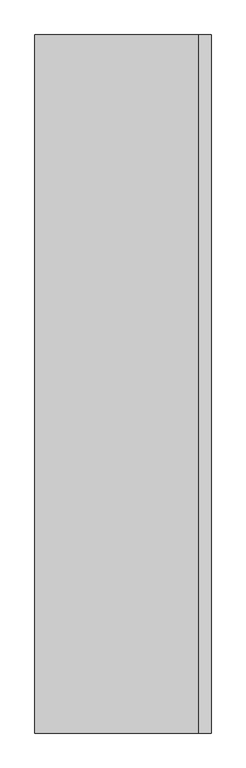
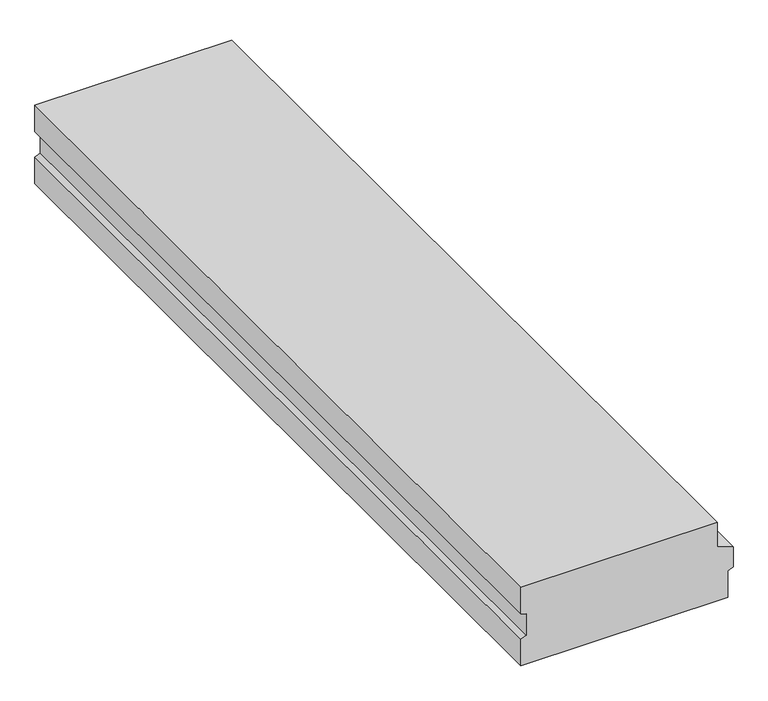
"""IFC4 building model written with IfcOpenShell, lengths in millimetres: beam geometry."""

from ifc_helpers import new_model, si_unit, frame, origin, place, context, project, spatial, polyline, outline, extrude, source, transform, mapped, element, save


def beam_6b1b0e55(model_context):
    return source(origin(), model_context, "Body", "SweptSolid", [
        extrude(outline(polyline([(0.0, 270.0), (0.0, -300.0), (-81.2054084, -300.0), (-86.8469471, -284.5), (-152.5378604, -284.5), (-158.9635917, -300.0), (-240.0, -300.0), (-240.0, 300.0), (-158.9635917, 300.0), (-152.5378604, 315.5), (-91.5606457, 315.5), (-75.0, 270.0), (0.0, 270.0)])), frame((0.0, -1220.0, 0.0), z_axis=(0.0, 1.0, 0.0), x_axis=(0.0, 0.0, 1.0)), (0.0, 0.0, 1.0), 2440.0),
    ])


if __name__ == "__main__":
    model = new_model("IFC4")
    model_context = context("Model", 3, world=origin())
    ifc_project = project(units=[si_unit("LENGTHUNIT", "METRE", prefix="MILLI")], contexts=[model_context])
    site = spatial("IfcSite", under=ifc_project)
    building = spatial("IfcBuilding", under=site)
    placement = place(None, origin())
    beam_shape = beam_6b1b0e55(model_context)
    element("IfcBeam", 1, at=placement, inside=building, context=model_context, shape_type="MappedRepresentation", body=[
        mapped(beam_shape, transform((0.0, 0.0, 0.0), x_axis=(1.0, 0.0, 0.0), y_axis=(0.0, 1.0, 0.0), z_axis=(0.0, 0.0, 1.0))),
    ])
    save(model, "model.ifc")
